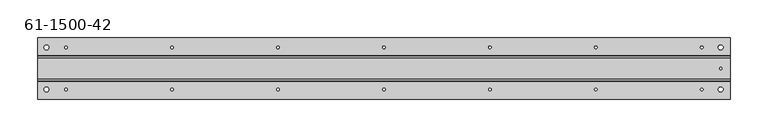
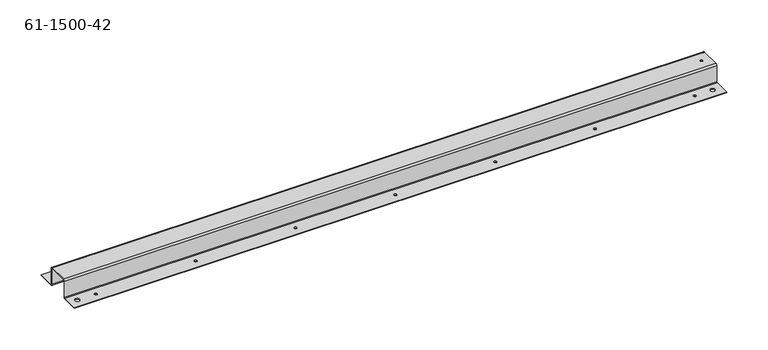
"""IFC4 building model written with IfcOpenShell, lengths in millimetres: proxy geometry, 61-1500-42."""

from ifc_helpers import new_model, si_unit, frame, origin, place, context, project, spatial, polyline, circle_curve, source, transform, mapped, element, save
from ifc_brep_helpers import plane_surface, cylinder_surface, revolved_surface, advanced_brep


def proxy_61_1500_42_313b7cb7(model_context):
    return source(origin(), model_context, "Body", "AdvancedBrep", [
        advanced_brep(
        [(-46.8577251, 49.9467453, -26.55316), (-46.8577251, 49.9467453, -25.54732), (-53.2077251, 49.9467453, -25.54732), (-53.2077251, 49.9467453, -26.55316), (842.1422749, 49.9467453, -26.55316), (842.1422749, 49.9467453, -25.54732), (835.7922749, 49.9467453, -25.54732), (835.7922749, 49.9467453, -26.55316), (-46.8577251, -5.4963747, -26.55316), (-46.8577251, -5.4963747, -25.54732), (-53.2077251, -5.4963747, -25.54732), (-53.2077251, -5.4963747, -26.55316), (842.1422749, -5.4963747, -26.55316), (842.1422749, -5.4963747, -25.54732), (835.7922749, -5.4963747, -25.54732), (835.7922749, -5.4963747, -26.55316), (-22.4915051, -5.4963747, -26.55316), (-22.4915051, -5.4963747, -25.54732), (-25.9205051, -5.4963747, -25.54732), (-25.9205051, -5.4963747, -26.55316), (256.9084949, -5.4963747, -26.55316), (256.9084949, -5.4963747, -25.54732), (253.4794949, -5.4963747, -25.54732), (253.4794949, -5.4963747, -26.55316), (536.3084949, -5.4963747, -26.55316), (536.3084949, -5.4963747, -25.54732), (532.8794949, -5.4963747, -25.54732), (532.8794949, -5.4963747, -26.55316), (815.7084949, -5.4963747, -26.55316), (815.7084949, -5.4963747, -25.54732), (812.2794949, -5.4963747, -25.54732), (812.2794949, -5.4963747, -26.55316), (676.0084949, -5.4963747, -26.55316), (676.0084949, -5.4963747, -25.54732), (672.5794949, -5.4963747, -25.54732), (672.5794949, -5.4963747, -26.55316), (396.6084949, -5.4963747, -26.55316), (396.6084949, -5.4963747, -25.54732), (393.1794949, -5.4963747, -25.54732), (393.1794949, -5.4963747, -26.55316), (117.2084949, -5.4963747, -26.55316), (117.2084949, -5.4963747, -25.54732), (113.7794949, -5.4963747, -25.54732), (113.7794949, -5.4963747, -26.55316), (-22.4915051, 49.9467453, -26.55316), (-22.4915051, 49.9467453, -25.54732), (-25.9205051, 49.9467453, -25.54732), (-25.9205051, 49.9467453, -26.55316), (256.9084949, 49.9467453, -26.55316), (256.9084949, 49.9467453, -25.54732), (253.4794949, 49.9467453, -25.54732), (253.4794949, 49.9467453, -26.55316), (536.3084949, 49.9467453, -26.55316), (536.3084949, 49.9467453, -25.54732), (532.8794949, 49.9467453, -25.54732), (532.8794949, 49.9467453, -26.55316), (815.7084949, 49.9467453, -26.55316), (815.7084949, 49.9467453, -25.54732), (812.2794949, 49.9467453, -25.54732), (812.2794949, 49.9467453, -26.55316), (676.0084949, 49.9467453, -26.55316), (676.0084949, 49.9467453, -25.54732), (672.5794949, 49.9467453, -25.54732), (672.5794949, 49.9467453, -26.55316), (396.6084949, 49.9467453, -26.55316), (396.6084949, 49.9467453, -25.54732), (393.1794949, 49.9467453, -25.54732), (393.1794949, 49.9467453, -26.55316), (117.2084949, 49.9467453, -26.55316), (117.2084949, 49.9467453, -25.54732), (113.7794949, 49.9467453, -25.54732), (113.7794949, 49.9467453, -26.55316), (840.4912749, 22.2251853, 0.0), (840.4912749, 22.2251853, 1.00584), (837.4432749, 22.2251853, 1.00584), (837.4432749, 22.2251853, 0.0), (-61.2138051, 39.1060253, -25.54732), (-61.2138051, 38.1001853, -24.54148), (851.3624749, 38.1001853, -24.54148), (851.3624749, 39.1060253, -25.54732), (-61.2138051, 38.1001853, -1.00584), (851.3624749, 38.1001853, -1.00584), (-61.2138051, 36.0885053, 1.00584), (851.3624749, 36.0885053, 1.00584), (-61.2138051, 8.3618653, 1.00584), (851.3624749, 8.3618653, 1.00584), (-61.2138051, 6.3501853, -1.00584), (851.3624749, 6.3501853, -1.00584), (-61.2138051, 6.3501853, -24.54148), (851.3624749, 6.3501853, -24.54148), (-61.2138051, 5.3443453, -25.54732), (851.3624749, 5.3443453, -25.54732), (851.3624749, 62.4943453, -25.54732), (851.3624749, -18.0439747, -25.54732), (851.3624749, -18.0439747, -26.55316), (851.3624749, 5.3443453, -26.55316), (851.3624749, 7.3560253, -24.54148), (851.3624749, 7.3560253, -1.00584), (851.3624749, 8.3618653, 0.0), (851.3624749, 36.0885053, 0.0), (851.3624749, 37.0943453, -1.00584), (851.3624749, 37.0943453, -24.54148), (851.3624749, 39.1060253, -26.55316), (851.3624749, 62.4943453, -26.55316), (-61.2138051, 62.4943453, -25.54732), (-61.2138051, 8.3618653, 0.0), (-61.2138051, 36.0885053, 0.0), (-61.2138051, 62.4943453, -26.55316), (-61.2138051, 7.3560253, -1.00584), (-61.2138051, 39.1060253, -26.55316), (-61.2138051, 7.3560253, -24.54148), (-61.2138051, 5.3443453, -26.55316), (-61.2138051, 37.0943453, -24.54148), (-61.2138051, 37.0943453, -1.00584), (-61.2138051, -18.0439747, -26.55316), (-61.2138051, -18.0439747, -25.54732)],
        [
            (0, 1),
            (1, 2, circle_curve(frame((-50.0327251, 49.9467453, -25.54732), z_axis=(0.0, 0.0, 1.0), x_axis=(1.0, 0.0, 0.0)), 3.175)),
            (2, 3),
            (3, 0, circle_curve(frame((-50.0327251, 49.9467453, -26.55316), z_axis=(0.0, 0.0, -1.0), x_axis=(1.0, 0.0, 0.0)), 3.175)),
            (4, 5),
            (5, 6, circle_curve(frame((838.9672749, 49.9467453, -25.54732), z_axis=(0.0, 0.0, 1.0), x_axis=(1.0, 0.0, 0.0)), 3.175)),
            (6, 7),
            (7, 4, circle_curve(frame((838.9672749, 49.9467453, -26.55316), z_axis=(0.0, 0.0, -1.0), x_axis=(1.0, 0.0, 0.0)), 3.175)),
            (8, 9),
            (9, 10, circle_curve(frame((-50.0327251, -5.4963747, -25.54732), z_axis=(0.0, 0.0, 1.0), x_axis=(1.0, 0.0, 0.0)), 3.175)),
            (10, 11),
            (11, 8, circle_curve(frame((-50.0327251, -5.4963747, -26.55316), z_axis=(0.0, 0.0, -1.0), x_axis=(1.0, 0.0, 0.0)), 3.175)),
            (12, 13),
            (13, 14, circle_curve(frame((838.9672749, -5.4963747, -25.54732), z_axis=(0.0, 0.0, 1.0), x_axis=(1.0, 0.0, 0.0)), 3.175)),
            (14, 15),
            (15, 12, circle_curve(frame((838.9672749, -5.4963747, -26.55316), z_axis=(0.0, 0.0, -1.0), x_axis=(1.0, 0.0, 0.0)), 3.175)),
            (16, 17),
            (17, 18, circle_curve(frame((-24.2060051, -5.4963747, -25.54732), z_axis=(0.0, 0.0, 1.0), x_axis=(1.0, 0.0, 0.0)), 1.7145)),
            (18, 19),
            (19, 16, circle_curve(frame((-24.2060051, -5.4963747, -26.55316), z_axis=(0.0, 0.0, -1.0), x_axis=(1.0, 0.0, 0.0)), 1.7145)),
            (20, 21),
            (21, 22, circle_curve(frame((255.1939949, -5.4963747, -25.54732), z_axis=(0.0, 0.0, 1.0), x_axis=(1.0, 0.0, 0.0)), 1.7145)),
            (22, 23),
            (23, 20, circle_curve(frame((255.1939949, -5.4963747, -26.55316), z_axis=(0.0, 0.0, -1.0), x_axis=(1.0, 0.0, 0.0)), 1.7145)),
            (24, 25),
            (25, 26, circle_curve(frame((534.5939949, -5.4963747, -25.54732), z_axis=(0.0, 0.0, 1.0), x_axis=(1.0, 0.0, 0.0)), 1.7145)),
            (26, 27),
            (27, 24, circle_curve(frame((534.5939949, -5.4963747, -26.55316), z_axis=(0.0, 0.0, -1.0), x_axis=(1.0, 0.0, 0.0)), 1.7145)),
            (28, 29),
            (29, 30, circle_curve(frame((813.9939949, -5.4963747, -25.54732), z_axis=(0.0, 0.0, 1.0), x_axis=(1.0, 0.0, 0.0)), 1.7145)),
            (30, 31),
            (31, 28, circle_curve(frame((813.9939949, -5.4963747, -26.55316), z_axis=(0.0, 0.0, -1.0), x_axis=(1.0, 0.0, 0.0)), 1.7145)),
            (32, 33),
            (33, 34, circle_curve(frame((674.2939949, -5.4963747, -25.54732), z_axis=(0.0, 0.0, 1.0), x_axis=(1.0, 0.0, 0.0)), 1.7145)),
            (34, 35),
            (35, 32, circle_curve(frame((674.2939949, -5.4963747, -26.55316), z_axis=(0.0, 0.0, -1.0), x_axis=(1.0, 0.0, 0.0)), 1.7145)),
            (36, 37),
            (37, 38, circle_curve(frame((394.8939949, -5.4963747, -25.54732), z_axis=(0.0, 0.0, 1.0), x_axis=(1.0, 0.0, 0.0)), 1.7145)),
            (38, 39),
            (39, 36, circle_curve(frame((394.8939949, -5.4963747, -26.55316), z_axis=(0.0, 0.0, -1.0), x_axis=(1.0, 0.0, 0.0)), 1.7145)),
            (40, 41),
            (41, 42, circle_curve(frame((115.4939949, -5.4963747, -25.54732), z_axis=(0.0, 0.0, 1.0), x_axis=(1.0, 0.0, 0.0)), 1.7145)),
            (42, 43),
            (43, 40, circle_curve(frame((115.4939949, -5.4963747, -26.55316), z_axis=(0.0, 0.0, -1.0), x_axis=(1.0, 0.0, 0.0)), 1.7145)),
            (44, 45),
            (45, 46, circle_curve(frame((-24.2060051, 49.9467453, -25.54732), z_axis=(0.0, 0.0, 1.0), x_axis=(1.0, 0.0, 0.0)), 1.7145)),
            (46, 47),
            (47, 44, circle_curve(frame((-24.2060051, 49.9467453, -26.55316), z_axis=(0.0, 0.0, -1.0), x_axis=(1.0, 0.0, 0.0)), 1.7145)),
            (48, 49),
            (49, 50, circle_curve(frame((255.1939949, 49.9467453, -25.54732), z_axis=(0.0, 0.0, 1.0), x_axis=(1.0, 0.0, 0.0)), 1.7145)),
            (50, 51),
            (51, 48, circle_curve(frame((255.1939949, 49.9467453, -26.55316), z_axis=(0.0, 0.0, -1.0), x_axis=(1.0, 0.0, 0.0)), 1.7145)),
            (52, 53),
            (53, 54, circle_curve(frame((534.5939949, 49.9467453, -25.54732), z_axis=(0.0, 0.0, 1.0), x_axis=(1.0, 0.0, 0.0)), 1.7145)),
            (54, 55),
            (55, 52, circle_curve(frame((534.5939949, 49.9467453, -26.55316), z_axis=(0.0, 0.0, -1.0), x_axis=(1.0, 0.0, 0.0)), 1.7145)),
            (56, 57),
            (57, 58, circle_curve(frame((813.9939949, 49.9467453, -25.54732), z_axis=(0.0, 0.0, 1.0), x_axis=(1.0, 0.0, 0.0)), 1.7145)),
            (58, 59),
            (59, 56, circle_curve(frame((813.9939949, 49.9467453, -26.55316), z_axis=(0.0, 0.0, -1.0), x_axis=(1.0, 0.0, 0.0)), 1.7145)),
            (60, 61),
            (61, 62, circle_curve(frame((674.2939949, 49.9467453, -25.54732), z_axis=(0.0, 0.0, 1.0), x_axis=(1.0, 0.0, 0.0)), 1.7145)),
            (62, 63),
            (63, 60, circle_curve(frame((674.2939949, 49.9467453, -26.55316), z_axis=(0.0, 0.0, -1.0), x_axis=(1.0, 0.0, 0.0)), 1.7145)),
            (64, 65),
            (65, 66, circle_curve(frame((394.8939949, 49.9467453, -25.54732), z_axis=(0.0, 0.0, 1.0), x_axis=(1.0, 0.0, 0.0)), 1.7145)),
            (66, 67),
            (67, 64, circle_curve(frame((394.8939949, 49.9467453, -26.55316), z_axis=(0.0, 0.0, -1.0), x_axis=(1.0, 0.0, 0.0)), 1.7145)),
            (68, 69),
            (69, 70, circle_curve(frame((115.4939949, 49.9467453, -25.54732), z_axis=(0.0, 0.0, 1.0), x_axis=(1.0, 0.0, 0.0)), 1.7145)),
            (70, 71),
            (71, 68, circle_curve(frame((115.4939949, 49.9467453, -26.55316), z_axis=(0.0, 0.0, -1.0), x_axis=(1.0, 0.0, 0.0)), 1.7145)),
            (72, 73),
            (73, 74, circle_curve(frame((838.9672749, 22.2251853, 1.00584), z_axis=(0.0, 0.0, 1.0), x_axis=(1.0, 0.0, 0.0)), 1.524)),
            (74, 75),
            (75, 72, circle_curve(frame((838.9672749, 22.2251853, 0.0), z_axis=(0.0, 0.0, -1.0), x_axis=(1.0, 0.0, 0.0)), 1.524)),
            (76, 77, circle_curve(frame((-61.2138051, 39.1060253, -24.54148), z_axis=(-1.0, 0.0, 0.0), x_axis=(0.0, -1.0, 0.0)), 1.00584)),
            (77, 78),
            (78, 79, circle_curve(frame((851.3624749, 39.1060253, -24.54148), z_axis=(1.0, 0.0, 0.0), x_axis=(0.0, -1.0, 0.0)), 1.00584)),
            (79, 76),
            (77, 80),
            (80, 81),
            (81, 78),
            (80, 82, circle_curve(frame((-61.2138051, 36.0885053, -1.00584), z_axis=(1.0, 0.0, 0.0), x_axis=(0.0, 0.0, 1.0)), 2.01168)),
            (82, 83),
            (83, 81, circle_curve(frame((851.3624749, 36.0885053, -1.00584), z_axis=(-1.0, 0.0, 0.0), x_axis=(0.0, 0.0, 1.0)), 2.01168)),
            (82, 84),
            (84, 85),
            (85, 83),
            (73, 74, circle_curve(frame((838.9672749, 22.2251853, 1.00584), z_axis=(0.0, 0.0, -1.0), x_axis=(1.0, 0.0, 0.0)), 1.524)),
            (84, 86, circle_curve(frame((-61.2138051, 8.3618653, -1.00584), z_axis=(1.0, 0.0, 0.0), x_axis=(0.0, 0.0, 1.0)), 2.01168)),
            (86, 87),
            (87, 85, circle_curve(frame((851.3624749, 8.3618653, -1.00584), z_axis=(-1.0, 0.0, 0.0), x_axis=(0.0, 0.0, 1.0)), 2.01168)),
            (86, 88),
            (88, 89),
            (89, 87),
            (88, 90, circle_curve(frame((-61.2138051, 5.3443453, -24.54148), z_axis=(-1.0, 0.0, 0.0), x_axis=(0.0, 1.0, 0.0)), 1.00584)),
            (90, 91),
            (91, 89, circle_curve(frame((851.3624749, 5.3443453, -24.54148), z_axis=(1.0, 0.0, 0.0), x_axis=(0.0, 1.0, 0.0)), 1.00584)),
            (92, 79),
            (91, 93),
            (93, 94),
            (94, 95),
            (95, 96, circle_curve(frame((851.3624749, 5.3443453, -24.54148), z_axis=(1.0, 0.0, 0.0), x_axis=(0.0, 1.0, 0.0)), 2.01168)),
            (96, 97),
            (97, 98, circle_curve(frame((851.3624749, 8.3618653, -1.00584), z_axis=(-1.0, 0.0, 0.0), x_axis=(0.0, 0.0, 1.0)), 1.00584)),
            (98, 99),
            (99, 100, circle_curve(frame((851.3624749, 36.0885053, -1.00584), z_axis=(-1.0, 0.0, 0.0), x_axis=(0.0, 0.0, 1.0)), 1.00584)),
            (100, 101),
            (101, 102, circle_curve(frame((851.3624749, 39.1060253, -24.54148), z_axis=(1.0, 0.0, 0.0), x_axis=(0.0, -1.0, 0.0)), 2.01168)),
            (102, 103),
            (103, 92),
            (92, 104),
            (104, 76),
            (69, 70, circle_curve(frame((115.4939949, 49.9467453, -25.54732), z_axis=(0.0, 0.0, -1.0), x_axis=(1.0, 0.0, 0.0)), 1.7145)),
            (65, 66, circle_curve(frame((394.8939949, 49.9467453, -25.54732), z_axis=(0.0, 0.0, -1.0), x_axis=(1.0, 0.0, 0.0)), 1.7145)),
            (61, 62, circle_curve(frame((674.2939949, 49.9467453, -25.54732), z_axis=(0.0, 0.0, -1.0), x_axis=(1.0, 0.0, 0.0)), 1.7145)),
            (57, 58, circle_curve(frame((813.9939949, 49.9467453, -25.54732), z_axis=(0.0, 0.0, -1.0), x_axis=(1.0, 0.0, 0.0)), 1.7145)),
            (53, 54, circle_curve(frame((534.5939949, 49.9467453, -25.54732), z_axis=(0.0, 0.0, -1.0), x_axis=(1.0, 0.0, 0.0)), 1.7145)),
            (49, 50, circle_curve(frame((255.1939949, 49.9467453, -25.54732), z_axis=(0.0, 0.0, -1.0), x_axis=(1.0, 0.0, 0.0)), 1.7145)),
            (45, 46, circle_curve(frame((-24.2060051, 49.9467453, -25.54732), z_axis=(0.0, 0.0, -1.0), x_axis=(1.0, 0.0, 0.0)), 1.7145)),
            (5, 6, circle_curve(frame((838.9672749, 49.9467453, -25.54732), z_axis=(0.0, 0.0, -1.0), x_axis=(1.0, 0.0, 0.0)), 3.175)),
            (1, 2, circle_curve(frame((-50.0327251, 49.9467453, -25.54732), z_axis=(0.0, 0.0, -1.0), x_axis=(1.0, 0.0, 0.0)), 3.175)),
            (105, 106),
            (106, 99),
            (98, 105),
            (75, 72, circle_curve(frame((838.9672749, 22.2251853, 0.0), z_axis=(0.0, 0.0, 1.0), x_axis=(1.0, 0.0, 0.0)), 1.524)),
            (103, 107),
            (107, 104),
            (108, 105, circle_curve(frame((-61.2138051, 8.3618653, -1.00584), z_axis=(-1.0, 0.0, 0.0), x_axis=(0.0, 0.0, 1.0)), 1.00584)),
            (97, 108),
            (102, 109),
            (109, 107),
            (71, 68, circle_curve(frame((115.4939949, 49.9467453, -26.55316), z_axis=(0.0, 0.0, 1.0), x_axis=(1.0, 0.0, 0.0)), 1.7145)),
            (67, 64, circle_curve(frame((394.8939949, 49.9467453, -26.55316), z_axis=(0.0, 0.0, 1.0), x_axis=(1.0, 0.0, 0.0)), 1.7145)),
            (63, 60, circle_curve(frame((674.2939949, 49.9467453, -26.55316), z_axis=(0.0, 0.0, 1.0), x_axis=(1.0, 0.0, 0.0)), 1.7145)),
            (59, 56, circle_curve(frame((813.9939949, 49.9467453, -26.55316), z_axis=(0.0, 0.0, 1.0), x_axis=(1.0, 0.0, 0.0)), 1.7145)),
            (55, 52, circle_curve(frame((534.5939949, 49.9467453, -26.55316), z_axis=(0.0, 0.0, 1.0), x_axis=(1.0, 0.0, 0.0)), 1.7145)),
            (51, 48, circle_curve(frame((255.1939949, 49.9467453, -26.55316), z_axis=(0.0, 0.0, 1.0), x_axis=(1.0, 0.0, 0.0)), 1.7145)),
            (47, 44, circle_curve(frame((-24.2060051, 49.9467453, -26.55316), z_axis=(0.0, 0.0, 1.0), x_axis=(1.0, 0.0, 0.0)), 1.7145)),
            (7, 4, circle_curve(frame((838.9672749, 49.9467453, -26.55316), z_axis=(0.0, 0.0, 1.0), x_axis=(1.0, 0.0, 0.0)), 3.175)),
            (3, 0, circle_curve(frame((-50.0327251, 49.9467453, -26.55316), z_axis=(0.0, 0.0, 1.0), x_axis=(1.0, 0.0, 0.0)), 3.175)),
            (110, 108),
            (96, 110),
            (111, 110, circle_curve(frame((-61.2138051, 5.3443453, -24.54148), z_axis=(1.0, 0.0, 0.0), x_axis=(0.0, 1.0, 0.0)), 2.01168)),
            (95, 111),
            (109, 112, circle_curve(frame((-61.2138051, 39.1060253, -24.54148), z_axis=(-1.0, 0.0, 0.0), x_axis=(0.0, -1.0, 0.0)), 2.01168)),
            (112, 113),
            (113, 106, circle_curve(frame((-61.2138051, 36.0885053, -1.00584), z_axis=(1.0, 0.0, 0.0), x_axis=(0.0, 0.0, 1.0)), 1.00584)),
            (111, 114),
            (114, 115),
            (115, 90),
            (40, 43, circle_curve(frame((115.4939949, -5.4963747, -26.55316), z_axis=(0.0, 0.0, -1.0), x_axis=(1.0, 0.0, 0.0)), 1.7145)),
            (42, 41, circle_curve(frame((115.4939949, -5.4963747, -25.54732), z_axis=(0.0, 0.0, 1.0), x_axis=(1.0, 0.0, 0.0)), 1.7145)),
            (36, 39, circle_curve(frame((394.8939949, -5.4963747, -26.55316), z_axis=(0.0, 0.0, -1.0), x_axis=(1.0, 0.0, 0.0)), 1.7145)),
            (38, 37, circle_curve(frame((394.8939949, -5.4963747, -25.54732), z_axis=(0.0, 0.0, 1.0), x_axis=(1.0, 0.0, 0.0)), 1.7145)),
            (32, 35, circle_curve(frame((674.2939949, -5.4963747, -26.55316), z_axis=(0.0, 0.0, -1.0), x_axis=(1.0, 0.0, 0.0)), 1.7145)),
            (34, 33, circle_curve(frame((674.2939949, -5.4963747, -25.54732), z_axis=(0.0, 0.0, 1.0), x_axis=(1.0, 0.0, 0.0)), 1.7145)),
            (28, 31, circle_curve(frame((813.9939949, -5.4963747, -26.55316), z_axis=(0.0, 0.0, -1.0), x_axis=(1.0, 0.0, 0.0)), 1.7145)),
            (30, 29, circle_curve(frame((813.9939949, -5.4963747, -25.54732), z_axis=(0.0, 0.0, 1.0), x_axis=(1.0, 0.0, 0.0)), 1.7145)),
            (24, 27, circle_curve(frame((534.5939949, -5.4963747, -26.55316), z_axis=(0.0, 0.0, -1.0), x_axis=(1.0, 0.0, 0.0)), 1.7145)),
            (26, 25, circle_curve(frame((534.5939949, -5.4963747, -25.54732), z_axis=(0.0, 0.0, 1.0), x_axis=(1.0, 0.0, 0.0)), 1.7145)),
            (20, 23, circle_curve(frame((255.1939949, -5.4963747, -26.55316), z_axis=(0.0, 0.0, -1.0), x_axis=(1.0, 0.0, 0.0)), 1.7145)),
            (22, 21, circle_curve(frame((255.1939949, -5.4963747, -25.54732), z_axis=(0.0, 0.0, 1.0), x_axis=(1.0, 0.0, 0.0)), 1.7145)),
            (16, 19, circle_curve(frame((-24.2060051, -5.4963747, -26.55316), z_axis=(0.0, 0.0, -1.0), x_axis=(1.0, 0.0, 0.0)), 1.7145)),
            (18, 17, circle_curve(frame((-24.2060051, -5.4963747, -25.54732), z_axis=(0.0, 0.0, 1.0), x_axis=(1.0, 0.0, 0.0)), 1.7145)),
            (12, 15, circle_curve(frame((838.9672749, -5.4963747, -26.55316), z_axis=(0.0, 0.0, -1.0), x_axis=(1.0, 0.0, 0.0)), 3.175)),
            (14, 13, circle_curve(frame((838.9672749, -5.4963747, -25.54732), z_axis=(0.0, 0.0, 1.0), x_axis=(1.0, 0.0, 0.0)), 3.175)),
            (8, 11, circle_curve(frame((-50.0327251, -5.4963747, -26.55316), z_axis=(0.0, 0.0, -1.0), x_axis=(1.0, 0.0, 0.0)), 3.175)),
            (10, 9, circle_curve(frame((-50.0327251, -5.4963747, -25.54732), z_axis=(0.0, 0.0, 1.0), x_axis=(1.0, 0.0, 0.0)), 3.175)),
            (101, 112),
            (100, 113),
            (94, 114),
            (93, 115),
        ],
        [
            revolved_surface(polyline([(-46.8577251, 49.9467453, -25.54732), (-46.8577251, 49.9467453, -26.55316)]), (-50.0327251, 49.9467453, -35.07232), (0.0, 0.0, 1.0)),
            revolved_surface(polyline([(842.1422749, 49.9467453, -25.54732), (842.1422749, 49.9467453, -26.55316)]), (838.9672749, 49.9467453, -35.07232), (0.0, 0.0, 1.0)),
            revolved_surface(polyline([(-46.8577251, -5.4963747, -25.54732), (-46.8577251, -5.4963747, -26.55316)]), (-50.0327251, -5.4963747, -35.07232), (0.0, 0.0, 1.0)),
            revolved_surface(polyline([(842.1422749, -5.4963747, -25.54732), (842.1422749, -5.4963747, -26.55316)]), (838.9672749, -5.4963747, -35.07232), (0.0, 0.0, 1.0)),
            revolved_surface(polyline([(-22.491505099999998, -5.4963747, -25.54732), (-22.491505099999998, -5.4963747, -26.55316)]), (-24.2060051, -5.4963747, -35.07232), (0.0, 0.0, 1.0)),
            revolved_surface(polyline([(256.9084949, -5.4963747, -25.54732), (256.9084949, -5.4963747, -26.55316)]), (255.1939949, -5.4963747, -35.07232), (0.0, 0.0, 1.0)),
            revolved_surface(polyline([(536.3084949, -5.4963747, -25.54732), (536.3084949, -5.4963747, -26.55316)]), (534.5939949, -5.4963747, -35.07232), (0.0, 0.0, 1.0)),
            revolved_surface(polyline([(815.7084949, -5.4963747, -25.54732), (815.7084949, -5.4963747, -26.55316)]), (813.9939949, -5.4963747, -35.07232), (0.0, 0.0, 1.0)),
            revolved_surface(polyline([(676.0084949000001, -5.4963747, -25.54732), (676.0084949000001, -5.4963747, -26.55316)]), (674.2939949, -5.4963747, -35.07232), (0.0, 0.0, 1.0)),
            revolved_surface(polyline([(396.6084949, -5.4963747, -25.54732), (396.6084949, -5.4963747, -26.55316)]), (394.8939949, -5.4963747, -35.07232), (0.0, 0.0, 1.0)),
            revolved_surface(polyline([(117.2084949, -5.4963747, -25.54732), (117.2084949, -5.4963747, -26.55316)]), (115.4939949, -5.4963747, -35.07232), (0.0, 0.0, 1.0)),
            revolved_surface(polyline([(-22.491505099999998, 49.9467453, -25.54732), (-22.491505099999998, 49.9467453, -26.55316)]), (-24.2060051, 49.9467453, -35.07232), (0.0, 0.0, 1.0)),
            revolved_surface(polyline([(256.9084949, 49.9467453, -25.54732), (256.9084949, 49.9467453, -26.55316)]), (255.1939949, 49.9467453, -35.07232), (0.0, 0.0, 1.0)),
            revolved_surface(polyline([(536.3084949, 49.9467453, -25.54732), (536.3084949, 49.9467453, -26.55316)]), (534.5939949, 49.9467453, -35.07232), (0.0, 0.0, 1.0)),
            revolved_surface(polyline([(815.7084949, 49.9467453, -25.54732), (815.7084949, 49.9467453, -26.55316)]), (813.9939949, 49.9467453, -35.07232), (0.0, 0.0, 1.0)),
            revolved_surface(polyline([(676.0084949000001, 49.9467453, -25.54732), (676.0084949000001, 49.9467453, -26.55316)]), (674.2939949, 49.9467453, -35.07232), (0.0, 0.0, 1.0)),
            revolved_surface(polyline([(396.6084949, 49.9467453, -25.54732), (396.6084949, 49.9467453, -26.55316)]), (394.8939949, 49.9467453, -35.07232), (0.0, 0.0, 1.0)),
            revolved_surface(polyline([(117.2084949, 49.9467453, -25.54732), (117.2084949, 49.9467453, -26.55316)]), (115.4939949, 49.9467453, -35.07232), (0.0, 0.0, 1.0)),
            revolved_surface(polyline([(840.4912749, 22.2251853, 1.0058399999999992), (840.4912749, 22.2251853, 0.0)]), (838.9672749, 22.2251853, -8.51916), (0.0, 0.0, 1.0)),
            revolved_surface(polyline([(851.3624749, 38.1001853, -24.54148), (-61.2138051, 38.1001853, -24.54148)]), (394.4672749, 39.1060253, -24.54148), (1.0, 0.0, 0.0)),
            plane_surface(frame((394.4672749, 38.1001853, -12.77366), z_axis=(0.0, 1.0, 0.0), x_axis=(0.0, 0.0, 1.0))),
            cylinder_surface(frame((394.4672749, 36.0885053, -1.00584), z_axis=(-1.0, 0.0, 0.0), x_axis=(0.0, 0.0, 1.0)), 2.01168),
            plane_surface(frame((381.7672749, 22.2251853, 1.00584), z_axis=(0.0, 0.0, 1.0), x_axis=(1.0, 0.0, 0.0))),
            cylinder_surface(frame((394.4672749, 8.3618653, -1.00584), z_axis=(1.0, 0.0, 0.0), x_axis=(0.0, 0.0, 1.0)), 2.01168),
            plane_surface(frame((394.4672749, 6.3501853, -12.77366), z_axis=(0.0, -1.0, 0.0), x_axis=(0.0, 0.0, 1.0))),
            revolved_surface(polyline([(-61.2138051, 6.3501853, -24.54148), (851.3624749, 6.3501853, -24.54148)]), (394.4672749, 5.3443453, -24.54148), (-1.0, 0.0, 0.0)),
            plane_surface(frame((851.3624749, -18.0439747, -26.55316), z_axis=(1.0, 0.0, 0.0), x_axis=(0.0, 0.0, 1.0))),
            plane_surface(frame((394.4672749, 49.7943453, -25.54732), z_axis=(0.0, 0.0, 1.0), x_axis=(1.0, 0.0, 0.0))),
            plane_surface(frame((381.7672749, 22.2251853, 0.0), z_axis=(0.0, 0.0, -1.0), x_axis=(1.0, 0.0, 0.0))),
            plane_surface(frame((-62.7327251, 62.4943453, -26.55316), z_axis=(0.0, 1.0, 0.0), x_axis=(0.0, 0.0, 1.0))),
            revolved_surface(polyline([(851.3624749, 8.3618653, 0.0), (-61.2138051, 8.3618653, 0.0)]), (394.4672749, 8.3618653, -1.00584), (1.0, 0.0, 0.0)),
            plane_surface(frame((394.4672749, 49.7943453, -26.55316), z_axis=(0.0, 0.0, -1.0), x_axis=(1.0, 0.0, 0.0))),
            plane_surface(frame((394.4672749, 7.3560253, -12.77366), z_axis=(0.0, 1.0, 0.0), x_axis=(0.0, 0.0, 1.0))),
            cylinder_surface(frame((394.4672749, 5.3443453, -24.54148), z_axis=(-1.0, 0.0, 0.0), x_axis=(0.0, 1.0, 0.0)), 2.01168),
            plane_surface(frame((-61.2138051, 62.4943453, -26.55316), z_axis=(-1.0, 0.0, 0.0), x_axis=(0.0, 0.0, -1.0))),
            cylinder_surface(frame((394.4672749, 39.1060253, -24.54148), z_axis=(1.0, 0.0, 0.0), x_axis=(0.0, -1.0, 0.0)), 2.01168),
            plane_surface(frame((394.4672749, 37.0943453, -12.77366), z_axis=(0.0, -1.0, 0.0), x_axis=(0.0, 0.0, 1.0))),
            revolved_surface(polyline([(-61.2138051, 36.0885053, 0.0), (851.3624749, 36.0885053, 0.0)]), (394.4672749, 36.0885053, -1.00584), (-1.0, 0.0, 0.0)),
            plane_surface(frame((394.4672749, -5.3439747, -26.55316), z_axis=(0.0, 0.0, -1.0), x_axis=(1.0, 0.0, 0.0))),
            plane_surface(frame((851.6672749, -18.0439747, -26.55316), z_axis=(0.0, -1.0, 0.0), x_axis=(0.0, 0.0, -1.0))),
            plane_surface(frame((394.4672749, -5.3439747, -25.54732), z_axis=(0.0, 0.0, 1.0), x_axis=(1.0, 0.0, 0.0))),
        ],
        [
            (0, [[1, 2, 3, 4]]),
            (1, [[5, 6, 7, 8]]),
            (2, [[9, 10, 11, 12]]),
            (3, [[13, 14, 15, 16]]),
            (4, [[17, 18, 19, 20]]),
            (5, [[21, 22, 23, 24]]),
            (6, [[25, 26, 27, 28]]),
            (7, [[29, 30, 31, 32]]),
            (8, [[33, 34, 35, 36]]),
            (9, [[37, 38, 39, 40]]),
            (10, [[41, 42, 43, 44]]),
            (11, [[45, 46, 47, 48]]),
            (12, [[49, 50, 51, 52]]),
            (13, [[53, 54, 55, 56]]),
            (14, [[57, 58, 59, 60]]),
            (15, [[61, 62, 63, 64]]),
            (16, [[65, 66, 67, 68]]),
            (17, [[69, 70, 71, 72]]),
            (18, [[73, 74, 75, 76]]),
            (19, [[77, 78, 79, 80]]),
            (20, [[81, 82, 83, -78]]),
            (21, [[84, 85, 86, -82]]),
            (22, [[87, 88, 89, -85], [90, -74]]),
            (23, [[91, 92, 93, -88]]),
            (24, [[94, 95, 96, -92]]),
            (25, [[97, 98, 99, -95]]),
            (26, [[100, -79, -83, -86, -89, -93, -96, -99, 101, 102, 103, 104, 105, 106, 107, 108, 109, 110, 111, 112]]),
            (27, [[-100, 113, 114, -80], [115, -70], [116, -66], [117, -62], [118, -58], [119, -54], [120, -50], [121, -46], [122, -6], [123, -2]]),
            (28, [[124, 125, -107, 126], [127, -76]]),
            (29, [[-112, 128, 129, -113]]),
            (30, [[130, -126, -106, 131]]),
            (31, [[-111, 132, 133, -128], [134, -72], [135, -68], [136, -64], [137, -60], [138, -56], [139, -52], [140, -48], [141, -8], [142, -4]]),
            (32, [[143, -131, -105, 144]]),
            (33, [[145, -144, -104, 146]]),
            (18, [[-73, -127, -75, -90]]),
            (34, [[147, 148, 149, -124, -130, -143, -145, 150, 151, 152, -97, -94, -91, -87, -84, -81, -77, -114, -129, -133]]),
            (17, [[-69, -134, -71, -115]]),
            (16, [[-65, -135, -67, -116]]),
            (15, [[-61, -136, -63, -117]]),
            (14, [[-57, -137, -59, -118]]),
            (13, [[-53, -138, -55, -119]]),
            (12, [[-49, -139, -51, -120]]),
            (11, [[-45, -140, -47, -121]]),
            (10, [[-41, 153, -43, 154]]),
            (9, [[-37, 155, -39, 156]]),
            (8, [[-33, 157, -35, 158]]),
            (7, [[-29, 159, -31, 160]]),
            (6, [[-25, 161, -27, 162]]),
            (5, [[-21, 163, -23, 164]]),
            (4, [[-17, 165, -19, 166]]),
            (3, [[-13, 167, -15, 168]]),
            (2, [[-9, 169, -11, 170]]),
            (1, [[-5, -141, -7, -122]]),
            (0, [[-1, -142, -3, -123]]),
            (35, [[-147, -132, -110, 171]]),
            (36, [[-148, -171, -109, 172]]),
            (37, [[-149, -172, -108, -125]]),
            (38, [[-103, 173, -150, -146], [-153, -44], [-155, -40], [-157, -36], [-159, -32], [-161, -28], [-163, -24], [-165, -20], [-167, -16], [-169, -12]]),
            (39, [[-102, 174, -151, -173]]),
            (40, [[-101, -98, -152, -174], [-154, -42], [-156, -38], [-158, -34], [-160, -30], [-162, -26], [-164, -22], [-166, -18], [-168, -14], [-170, -10]]),
        ],
    ),
    ])


if __name__ == "__main__":
    model = new_model("IFC4")
    model_context = context("Model", 3, world=origin())
    ifc_project = project(units=[si_unit("LENGTHUNIT", "METRE", prefix="MILLI")], contexts=[model_context])
    site = spatial("IfcSite", under=ifc_project)
    building = spatial("IfcBuilding", under=site)
    placement = place(None, origin())
    proxy_61_1500_42_shape = proxy_61_1500_42_313b7cb7(model_context)
    element("IfcBuildingElementProxy", 1, Name="61-1500-42", ObjectType="61-1500-42", at=placement, inside=building, context=model_context, shape_type="MappedRepresentation", body=[
        mapped(proxy_61_1500_42_shape, transform((0.0, 0.0, 0.0), x_axis=(1.0, 0.0, 0.0), y_axis=(0.0, 1.0, 0.0), z_axis=(0.0, 0.0, 1.0))),
    ])
    save(model, "model.ifc")
